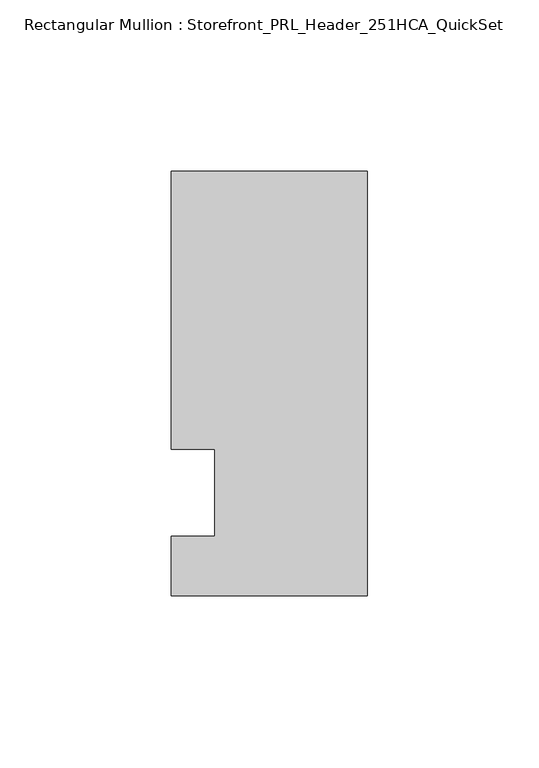
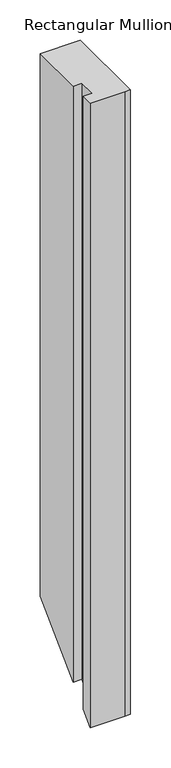
"""IFC4 building model written with IfcOpenShell, lengths in millimetres: member geometry, Rectangular Mullion : Storefront_PRL_Header_251HCA_QuickSet."""

import ifcopenshell
import ifcopenshell.guid

model = None  # the IFC model being written
_history = None  # IfcOwnerHistory: only IFC2X3 demands one
_inside = {}  # id of a spatial element -> (the spatial element, [elements in it])
_under = {}  # id of a project, library or spatial element -> (it, [spatial elements below it])
_declared = {}  # id of a project -> (the project, [libraries it declares])
_typed = {}  # id of a type object -> (the type object, [elements of that type])
_made_of = {}  # id of a material, layer set ... -> (it, [elements and type objects made of it])


def new_model(schema):
    """Start an empty IFC model of exactly this schema.

    Asked for "IFC4X3", IfcOpenShell would pick the latest addendum, in which some entities
    have other attributes; the version numbers below select the first issue.
    IFC2X3 requires an IfcOwnerHistory on every rooted entity: one is made here for all.
    """
    global model, _history
    if schema == "IFC4X3":
        model = ifcopenshell.file(schema_version=(4, 3, 0, 0))
    else:
        model = ifcopenshell.file(schema=schema)
    _inside.clear()
    _under.clear()
    _declared.clear()
    _typed.clear()
    _made_of.clear()
    _history = None
    if model.schema == "IFC2X3":
        org = make("IfcOrganization", Name="unknown")
        user = make(
            "IfcPersonAndOrganization",
            ThePerson=make("IfcPerson", FamilyName="unknown"),
            TheOrganization=org,
        )
        app = make(
            "IfcApplication",
            ApplicationDeveloper=org,
            Version="unknown",
            ApplicationFullName="unknown",
            ApplicationIdentifier="unknown",
        )
        _history = make(
            "IfcOwnerHistory",
            OwningUser=user,
            OwningApplication=app,
            ChangeAction="ADDED",
            CreationDate=0,
        )
    return model


def make(cls, **values):
    """One entity of the class cls with the attributes given. An attribute that is None is left unset."""
    return model.create_entity(
        cls, **{name: value for name, value in values.items() if value is not None}
    )


def rooted(cls, **values):
    """An entity with a GlobalId (a new one), such as an element, a storey or a relation."""
    return make(cls, GlobalId=ifcopenshell.guid.new(), OwnerHistory=_history, **values)


def si_unit(unit_type, name, prefix=None):
    """IfcSIUnit, for example si_unit("LENGTHUNIT", "METRE", prefix="MILLI")."""
    return make("IfcSIUnit", UnitType=unit_type, Prefix=prefix, Name=name)


def assignment(units):
    """IfcUnitAssignment: the units of a project."""
    return None if units is None else make("IfcUnitAssignment", Units=units)


def point(xyz):
    """IfcCartesianPoint."""
    return None if xyz is None else make("IfcCartesianPoint", Coordinates=xyz)


def direction(xyz):
    """IfcDirection."""
    return None if xyz is None else make("IfcDirection", DirectionRatios=xyz)


def frame(location, z_axis=None, x_axis=None):
    """IfcAxis2Placement3D, a coordinate frame: its origin and axes. An axis left out is left unset."""
    return make(
        "IfcAxis2Placement3D",
        Location=point(location),
        Axis=direction(z_axis),
        RefDirection=direction(x_axis),
    )


def origin():
    """The frame at (0, 0, 0) with its axes left unset."""
    return frame((0.0, 0.0, 0.0))


def place(relative_to, where):
    """IfcLocalPlacement: puts the frame where relative to a parent placement (None: the world)."""
    return make(
        "IfcLocalPlacement", PlacementRelTo=relative_to, RelativePlacement=where
    )


def context(
    kind, dimensions, precision=None, world=None, true_north=None, identifier=None
):
    """IfcGeometricRepresentationContext, for example the 3D "Model" context."""
    return make(
        "IfcGeometricRepresentationContext",
        ContextIdentifier=identifier,
        ContextType=kind,
        CoordinateSpaceDimension=dimensions,
        Precision=precision,
        WorldCoordinateSystem=world,
        TrueNorth=true_north,
    )


def project(units=None, contexts=None):
    """IfcProject with its units and contexts."""
    return rooted(
        "IfcProject",
        Name="project",
        RepresentationContexts=contexts,
        UnitsInContext=assignment(units),
    )


def spatial(cls, under=None, at=None, **own):
    """A site, building, storey or space (cls), placed at a placement, below another one or the project."""
    s = rooted(cls, ObjectPlacement=at, **own)
    if under is not None:
        _under.setdefault(under.id(), (under, []))[1].append(s)
    return s


def faces_of(points, faces, orient=None, outer=None):
    """IfcFace entities. A face is a list of loops; a loop is a list of indices into points, from 0.

    orient and outer hold one flag for each loop. By default every Orientation is true, the
    first loop of a face is its IfcFaceOuterBound and the others are IfcFaceBound.
    """
    made = []
    for i, loops in enumerate(faces):
        bounds = []
        for j, loop in enumerate(loops):
            is_outer = j == 0 if outer is None else outer[i][j]
            bounds.append(
                make(
                    "IfcFaceOuterBound" if is_outer else "IfcFaceBound",
                    Bound=make("IfcPolyLoop", Polygon=[points[k] for k in loop]),
                    Orientation=True if orient is None else orient[i][j],
                )
            )
        made.append(make("IfcFace", Bounds=bounds))
    return made


def faceted_brep(points, faces, orient=None, outer=None, voids=None):
    """IfcFacetedBrep: a solid bounded by flat faces; with voids (closed shells), ...WithVoids."""
    shared = [point(p) for p in points]
    hull = make("IfcClosedShell", CfsFaces=faces_of(shared, faces, orient, outer))
    if voids is None:
        return make("IfcFacetedBrep", Outer=hull)
    return make(
        "IfcFacetedBrepWithVoids",
        Outer=hull,
        Voids=[
            make(cls, CfsFaces=faces_of(shared, fs, o, b)) for cls, fs, o, b in voids
        ],
    )


def shape(context_of_items, identifier, shape_type, items):
    """IfcShapeRepresentation: the items that make up one representation, for example the "Body"."""
    return make(
        "IfcShapeRepresentation",
        ContextOfItems=context_of_items,
        RepresentationIdentifier=identifier,
        RepresentationType=shape_type,
        Items=items,
    )


def source(mapping_origin, context_of_items, identifier, shape_type, items):
    """IfcRepresentationMap: a shape defined once, which mapped items show again and again."""
    return make(
        "IfcRepresentationMap",
        MappingOrigin=mapping_origin,
        MappedRepresentation=shape(context_of_items, identifier, shape_type, items),
    )


def transform(
    local_origin,
    x_axis=None,
    y_axis=None,
    z_axis=None,
    scale=None,
    scale2=None,
    scale3=None,
    uniform=True,
):
    """IfcCartesianTransformationOperator3D, or its non-uniform kind. x_axis, y_axis, z_axis: its Axis1, 2, 3."""
    if uniform:
        return make(
            "IfcCartesianTransformationOperator3D",
            Axis1=direction(x_axis),
            Axis2=direction(y_axis),
            LocalOrigin=point(local_origin),
            Scale=scale,
            Axis3=direction(z_axis),
        )
    return make(
        "IfcCartesianTransformationOperator3DnonUniform",
        Axis1=direction(x_axis),
        Axis2=direction(y_axis),
        LocalOrigin=point(local_origin),
        Scale=scale,
        Axis3=direction(z_axis),
        Scale2=scale2,
        Scale3=scale3,
    )


def mapped(mapping_source, mapping_target):
    """IfcMappedItem: shows the shape of a source again, moved by a transform."""
    return make(
        "IfcMappedItem", MappingSource=mapping_source, MappingTarget=mapping_target
    )


def made_of(thing, what):
    """Note that an element or type object is made of a material, layer set ...; save() writes the relation."""
    if what is not None:
        _made_of.setdefault(what.id(), (what, []))[1].append(thing)
    return thing


def element(
    cls,
    number,
    at=None,
    inside=None,
    cuts=None,
    type_object=None,
    material=None,
    context=None,
    identifier="Body",
    shape_type=None,
    held_by="IfcProductDefinitionShape",
    body=None,
    shapes=None,
    **own,
):
    """One element of the class cls, such as IfcWall. Its Tag is "e" and its number.

    at: its placement. inside: the storey or other place that contains it. cuts: it is an
    opening in that element (IfcRelVoidsElement). A single representation is given by context,
    identifier, shape_type and body (its items); several are given by shapes. held_by: the class
    of the entity that holds the representations. save() writes the other relations.
    """
    e = rooted(cls, Tag="e%d" % number, ObjectPlacement=at, **own)
    if body is not None:
        shapes = [shape(context, identifier, shape_type, body)]
    if shapes is not None:
        e.Representation = make(held_by, Representations=shapes)
    if inside is not None:
        _inside.setdefault(inside.id(), (inside, []))[1].append(e)
    if cuts is not None:
        rooted(
            "IfcRelVoidsElement", RelatingBuildingElement=cuts, RelatedOpeningElement=e
        )
    if type_object is not None:
        _typed.setdefault(type_object.id(), (type_object, []))[1].append(e)
    return made_of(e, material)


def aggregate(whole, parts):
    """IfcRelAggregates: a whole, such as a stair, and the parts it consists of."""
    return rooted("IfcRelAggregates", RelatingObject=whole, RelatedObjects=parts)


def save(model, path):
    """Write the relations noted so far, then the file.

    IfcRelAggregates (storeys below a building ...), IfcRelContainedInSpatialStructure (elements
    in a storey), IfcRelDefinesByType, IfcRelAssociatesMaterial and IfcRelDeclares: one each for
    every whole, place, type object, material and project.
    """
    for whole, parts in _under.values():
        aggregate(whole, parts)
    for where, things in _inside.values():
        rooted(
            "IfcRelContainedInSpatialStructure",
            RelatedElements=things,
            RelatingStructure=where,
        )
    for kind, things in _typed.values():
        rooted("IfcRelDefinesByType", RelatedObjects=things, RelatingType=kind)
    for what, things in _made_of.values():
        rooted("IfcRelAssociatesMaterial", RelatedObjects=things, RelatingMaterial=what)
    for by, libraries in _declared.values():
        rooted("IfcRelDeclares", RelatingContext=by, RelatedDefinitions=libraries)
    model.write(path)


def rectangular_mullion_storefront_prl_header_251hca_quickset_c1cc3e87(model_context):
    return source(origin(), model_context, "Body", "Brep", [
        faceted_brep([(-44.45, 12.7, 0.0), (-44.45, -12.7, 0.0), (-57.15, -12.7, 0.0), (-57.15, -30.1625, 0.0), (-7.7254924, -30.1625, 0.0), (0.0, -30.1625, 0.0), (0.0, 93.6625, 0.0), (-6.35, 93.6625, 0.0), (-57.15, 93.6625, 0.0), (-57.15, 12.7, 0.0), (-44.45, 12.7, -901.7), (-44.45, -12.7, -927.1), (-57.15, -12.7, -927.1), (-57.15, -30.1625, -944.5625), (-7.7254924, -30.1625, -944.5625), (0.0, -30.1625, -944.5625), (0.0, 93.6625, -820.7375), (-6.35, 93.6625, -820.7375), (-57.15, 93.6625, -820.7375), (-57.15, 12.7, -901.7)], [[[0, 1, 2, 3, 4, 5, 6, 7, 8, 9]], [[1, 0, 10, 11]], [[2, 1, 11, 12]], [[3, 2, 12, 13]], [[4, 3, 13, 14]], [[5, 4, 14, 15]], [[6, 5, 15, 16]], [[7, 6, 16, 17]], [[8, 7, 17, 18]], [[9, 8, 18, 19]], [[0, 9, 19, 10]], [[10, 19, 18, 17, 16, 15, 14, 13, 12, 11]]]),
    ])


if __name__ == "__main__":
    model = new_model("IFC4")
    model_context = context("Model", 3, world=origin())
    ifc_project = project(units=[si_unit("LENGTHUNIT", "METRE", prefix="MILLI")], contexts=[model_context])
    site = spatial("IfcSite", under=ifc_project)
    building = spatial("IfcBuilding", under=site)
    placement = place(None, origin())
    rectangular_mullion_storefront_prl_header_251hca_quickset_shape = rectangular_mullion_storefront_prl_header_251hca_quickset_c1cc3e87(model_context)
    element("IfcMember", 1, ObjectType="Rectangular Mullion : Storefront_PRL_Header_251HCA_QuickSet", at=placement, inside=building, context=model_context, shape_type="MappedRepresentation", body=[
        mapped(rectangular_mullion_storefront_prl_header_251hca_quickset_shape, transform((0.0, 0.0, 0.0), x_axis=(1.0, 0.0, 0.0), y_axis=(0.0, 1.0, 0.0), z_axis=(0.0, 0.0, 1.0))),
    ])
    save(model, "model.ifc")
